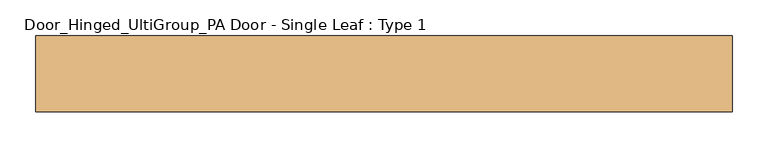
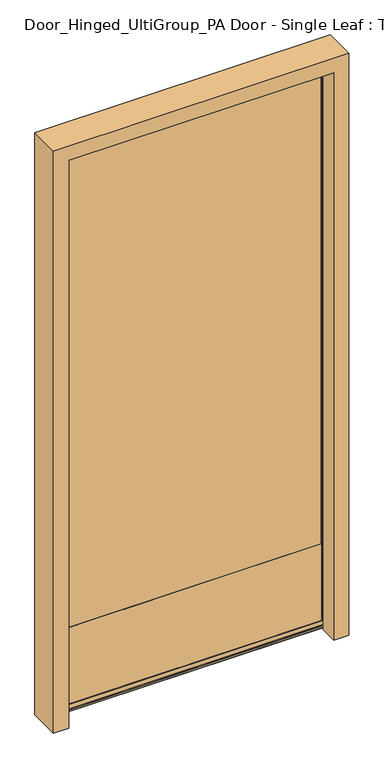
"""IFC4 building model written with IfcOpenShell, lengths in millimetres: door geometry, Door_Hinged_UltiGroup_PA Door - Single Leaf : Type 1."""

from ifc_helpers import new_model, si_unit, point, frame, frame_2d, origin, place, context, project, spatial, polyline, circle_curve, ellipse_curve, trimmed, segment, composite_curve, outline, extrude, source, transform, mapped, element, save
from ifc_brep_helpers import plane_surface, cylinder_surface, advanced_brep


def door_hinged_ultigroup_pa_door_single_leaf_type_1_708cba7c(model_context):
    return source(origin(), model_context, "Body", "SolidModel", [
        advanced_brep(
        [(-452.0, 51.0, 1995.0), (-452.0, 51.0, 18.0), (-452.0, 11.0, 18.0), (-452.0, 11.0, 1995.0), (448.0, 51.0, 18.0), (448.0, 11.0, 18.0), (449.0, 11.0, 17.0), (-453.0, 11.0, 17.0), (-453.0, 11.0, 1996.0), (449.0, 11.0, 1996.0), (448.0, 11.0, 1995.0), (448.0, 51.0, 1995.0), (-453.0, 51.0, 17.0), (449.0, 51.0, 17.0), (449.0, 51.0, 1996.0), (-453.0, 51.0, 1996.0), (-453.0, 53.0, 1996.0), (-453.0, 53.0, 17.0), (449.0, 53.0, 17.0), (449.0, 53.0, 1996.0), (-438.0, 53.0, 32.0), (434.0, 53.0, 32.0), (434.0, 53.0, 1981.0), (-438.0, 53.0, 1981.0), (-438.0, 51.0, 1981.0), (-438.0, 51.0, 32.0), (434.0, 51.0, 32.0), (434.0, 51.0, 1981.0), (-450.0, 51.0, 20.0), (446.0, 51.0, 20.0), (446.0, 51.0, 1993.0), (-450.0, 51.0, 1993.0), (-450.0, 11.0, 1993.0), (-450.0, 11.0, 20.0), (446.0, 11.0, 20.0), (446.0, 11.0, 1993.0), (-438.0, 11.0, 32.0), (434.0, 11.0, 32.0), (434.0, 11.0, 1981.0), (-438.0, 11.0, 1981.0), (-438.0, 9.0, 1981.0), (-438.0, 9.0, 32.0), (434.0, 9.0, 32.0), (434.0, 9.0, 1981.0), (-453.0, 9.0, 17.0), (449.0, 9.0, 17.0), (449.0, 9.0, 1996.0), (-453.0, 9.0, 1996.0)],
        [
            (0, 1),
            (1, 2),
            (2, 3),
            (3, 0),
            (1, 4),
            (4, 5),
            (5, 2),
            (6, 7),
            (7, 8),
            (8, 9),
            (9, 6),
            (5, 10),
            (10, 3),
            (4, 11),
            (11, 10),
            (12, 13),
            (13, 14),
            (14, 15),
            (15, 12),
            (0, 11),
            (16, 17),
            (17, 12, ellipse_curve(frame((-453.0, 52.0, 17.0), z_axis=(-0.7071067811865475, 0.0, 0.7071067811865475), x_axis=(0.7071067811865474, 0.0, 0.7071067811865476)), 1.4142136, 1.0)),
            (15, 16, ellipse_curve(frame((-453.0, 52.0, 1996.0), z_axis=(-0.7071067811865475, 0.0, -0.7071067811865475), x_axis=(-0.7071067811865474, 0.0, 0.7071067811865476)), 1.4142136, 1.0)),
            (17, 18),
            (18, 13, ellipse_curve(frame((449.0, 52.0, 17.0), z_axis=(-0.7071067811865475, 0.0, -0.7071067811865475), x_axis=(-0.7071067811865476, 0.0, 0.7071067811865474)), 1.4142136, 1.0)),
            (18, 19),
            (19, 14, ellipse_curve(frame((449.0, 52.0, 1996.0), z_axis=(0.7071067811865475, 0.0, -0.7071067811865475), x_axis=(-0.7071067811865474, 0.0, -0.7071067811865476)), 1.4142136, 1.0)),
            (16, 19),
            (20, 21),
            (21, 22),
            (22, 23),
            (23, 20),
            (24, 25),
            (25, 20, ellipse_curve(frame((-438.0, 52.0, 32.0), z_axis=(-0.7071067811865475, 0.0, 0.7071067811865475), x_axis=(0.7071067811865474, 0.0, 0.7071067811865476)), 1.4142136, 1.0)),
            (23, 24, ellipse_curve(frame((-438.0, 52.0, 1981.0), z_axis=(-0.7071067811865475, 0.0, -0.7071067811865475), x_axis=(-0.7071067811865474, 0.0, 0.7071067811865476)), 1.4142136, 1.0)),
            (25, 26),
            (26, 21, ellipse_curve(frame((434.0, 52.0, 32.0), z_axis=(-0.7071067811865475, 0.0, -0.7071067811865475), x_axis=(-0.7071067811865476, 0.0, 0.7071067811865474)), 1.4142136, 1.0)),
            (26, 27),
            (27, 22, ellipse_curve(frame((434.0, 52.0, 1981.0), z_axis=(0.7071067811865475, 0.0, -0.7071067811865475), x_axis=(-0.7071067811865474, 0.0, -0.7071067811865476)), 1.4142136, 1.0)),
            (28, 29),
            (29, 30),
            (30, 31),
            (31, 28),
            (24, 27),
            (32, 33),
            (33, 28),
            (31, 32),
            (33, 34),
            (34, 29),
            (34, 35),
            (35, 30),
            (32, 35),
            (36, 37),
            (37, 38),
            (38, 39),
            (39, 36),
            (40, 41),
            (41, 36, ellipse_curve(frame((-438.0, 10.0, 32.0), z_axis=(-0.7071067811865475, 0.0, 0.7071067811865475), x_axis=(0.7071067811865474, 0.0, 0.7071067811865476)), 1.4142136, 1.0)),
            (39, 40, ellipse_curve(frame((-438.0, 10.0, 1981.0), z_axis=(-0.7071067811865475, 0.0, -0.7071067811865475), x_axis=(-0.7071067811865474, 0.0, 0.7071067811865476)), 1.4142136, 1.0)),
            (41, 42),
            (42, 37, ellipse_curve(frame((434.0, 10.0, 32.0), z_axis=(-0.7071067811865475, 0.0, -0.7071067811865475), x_axis=(-0.7071067811865476, 0.0, 0.7071067811865474)), 1.4142136, 1.0)),
            (42, 43),
            (43, 38, ellipse_curve(frame((434.0, 10.0, 1981.0), z_axis=(0.7071067811865475, 0.0, -0.7071067811865475), x_axis=(-0.7071067811865474, 0.0, -0.7071067811865476)), 1.4142136, 1.0)),
            (44, 45),
            (45, 46),
            (46, 47),
            (47, 44),
            (40, 43),
            (7, 44, ellipse_curve(frame((-453.0, 10.0, 17.0), z_axis=(-0.7071067811865475, 0.0, 0.7071067811865475), x_axis=(0.7071067811865474, 0.0, 0.7071067811865476)), 1.4142136, 1.0)),
            (47, 8, ellipse_curve(frame((-453.0, 10.0, 1996.0), z_axis=(-0.7071067811865475, 0.0, -0.7071067811865475), x_axis=(-0.7071067811865474, 0.0, 0.7071067811865476)), 1.4142136, 1.0)),
            (6, 45, ellipse_curve(frame((449.0, 10.0, 17.0), z_axis=(-0.7071067811865475, 0.0, -0.7071067811865475), x_axis=(-0.7071067811865476, 0.0, 0.7071067811865474)), 1.4142136, 1.0)),
            (9, 46, ellipse_curve(frame((449.0, 10.0, 1996.0), z_axis=(0.7071067811865475, 0.0, -0.7071067811865475), x_axis=(-0.7071067811865474, 0.0, -0.7071067811865476)), 1.4142136, 1.0)),
        ],
        [
            plane_surface(frame((-452.0, 11.0, 1995.0), z_axis=(-1.0, 0.0, 0.0), x_axis=(0.0, 0.0, -1.0))),
            plane_surface(frame((-452.0, 11.0, 18.0), z_axis=(0.0, 0.0, -1.0), x_axis=(1.0, 0.0, 0.0))),
            plane_surface(frame((-453.0, 11.0, 1996.0), z_axis=(0.0, 1.0, 0.0), x_axis=(0.0, 0.0, -1.0))),
            plane_surface(frame((448.0, 11.0, 18.0), z_axis=(1.0, 0.0, 0.0), x_axis=(0.0, 0.0, 1.0))),
            plane_surface(frame((-452.0, 51.0, 1995.0), z_axis=(0.0, -1.0, 0.0), x_axis=(0.0, 0.0, -1.0))),
            cylinder_surface(frame((-453.0, 52.0, 1993.0), z_axis=(0.0, 0.0, 1.0), x_axis=(-1.0, 0.0, 0.0)), 1.0),
            cylinder_surface(frame((-450.0, 52.0, 17.0), z_axis=(-1.0, 0.0, 0.0), x_axis=(0.0, 0.0, -1.0)), 1.0),
            cylinder_surface(frame((449.0, 52.0, 20.0), z_axis=(0.0, 0.0, -1.0), x_axis=(1.0, 0.0, 0.0)), 1.0),
            plane_surface(frame((-453.0, 53.0, 1996.0), z_axis=(0.0, 1.0, 0.0), x_axis=(0.0, 0.0, -1.0))),
            cylinder_surface(frame((-438.0, 52.0, 1993.0), z_axis=(0.0, 0.0, 1.0), x_axis=(-1.0, 0.0, 0.0)), 1.0),
            cylinder_surface(frame((-450.0, 52.0, 32.0), z_axis=(-1.0, 0.0, 0.0), x_axis=(0.0, 0.0, -1.0)), 1.0),
            cylinder_surface(frame((434.0, 52.0, 20.0), z_axis=(0.0, 0.0, -1.0), x_axis=(1.0, 0.0, 0.0)), 1.0),
            plane_surface(frame((-438.0, 51.0, 1981.0), z_axis=(0.0, -1.0, 0.0), x_axis=(0.0, 0.0, -1.0))),
            plane_surface(frame((-450.0, 51.0, 1993.0), z_axis=(1.0, 0.0, 0.0), x_axis=(0.0, 0.0, -1.0))),
            plane_surface(frame((-450.0, 51.0, 20.0), z_axis=(0.0, 0.0, 1.0), x_axis=(1.0, 0.0, 0.0))),
            plane_surface(frame((446.0, 51.0, 20.0), z_axis=(-1.0, 0.0, 0.0), x_axis=(0.0, 0.0, 1.0))),
            plane_surface(frame((-450.0, 11.0, 1993.0), z_axis=(0.0, 1.0, 0.0), x_axis=(0.0, 0.0, -1.0))),
            cylinder_surface(frame((-438.0, 10.0, 1993.0), z_axis=(0.0, 0.0, 1.0), x_axis=(-1.0, 0.0, 0.0)), 1.0),
            cylinder_surface(frame((-450.0, 10.0, 32.0), z_axis=(-1.0, 0.0, 0.0), x_axis=(0.0, 0.0, -1.0)), 1.0),
            cylinder_surface(frame((434.0, 10.0, 20.0), z_axis=(0.0, 0.0, -1.0), x_axis=(1.0, 0.0, 0.0)), 1.0),
            plane_surface(frame((-438.0, 9.0, 1981.0), z_axis=(0.0, -1.0, 0.0), x_axis=(0.0, 0.0, -1.0))),
            cylinder_surface(frame((-453.0, 10.0, 1993.0), z_axis=(0.0, 0.0, 1.0), x_axis=(-1.0, 0.0, 0.0)), 1.0),
            cylinder_surface(frame((-450.0, 10.0, 17.0), z_axis=(-1.0, 0.0, 0.0), x_axis=(0.0, 0.0, -1.0)), 1.0),
            cylinder_surface(frame((449.0, 10.0, 20.0), z_axis=(0.0, 0.0, -1.0), x_axis=(1.0, 0.0, 0.0)), 1.0),
            plane_surface(frame((448.0, 11.0, 1995.0), z_axis=(0.0, 0.0, 1.0), x_axis=(-1.0, 0.0, 0.0))),
            cylinder_surface(frame((446.0, 52.0, 1996.0), z_axis=(1.0, 0.0, 0.0), x_axis=(0.0, 0.0, 1.0)), 1.0),
            cylinder_surface(frame((446.0, 52.0, 1981.0), z_axis=(1.0, 0.0, 0.0), x_axis=(0.0, 0.0, 1.0)), 1.0),
            plane_surface(frame((446.0, 51.0, 1993.0), z_axis=(0.0, 0.0, -1.0), x_axis=(-1.0, 0.0, 0.0))),
            cylinder_surface(frame((446.0, 10.0, 1981.0), z_axis=(1.0, 0.0, 0.0), x_axis=(0.0, 0.0, 1.0)), 1.0),
            cylinder_surface(frame((446.0, 10.0, 1996.0), z_axis=(1.0, 0.0, 0.0), x_axis=(0.0, 0.0, 1.0)), 1.0),
        ],
        [
            (0, [[1, 2, 3, 4]]),
            (1, [[5, 6, 7, -2]]),
            (2, [[8, 9, 10, 11], [-7, 12, 13, -3]]),
            (3, [[14, 15, -12, -6]]),
            (4, [[16, 17, 18, 19], [-5, -1, 20, -14]]),
            (5, [[21, 22, -19, 23]]),
            (6, [[24, 25, -16, -22]]),
            (7, [[26, 27, -17, -25]]),
            (8, [[-24, -21, 28, -26], [29, 30, 31, 32]]),
            (9, [[33, 34, -32, 35]]),
            (10, [[36, 37, -29, -34]]),
            (11, [[38, 39, -30, -37]]),
            (12, [[40, 41, 42, 43], [-36, -33, 44, -38]]),
            (13, [[45, 46, -43, 47]]),
            (14, [[48, 49, -40, -46]]),
            (15, [[50, 51, -41, -49]]),
            (16, [[-48, -45, 52, -50], [53, 54, 55, 56]]),
            (17, [[57, 58, -56, 59]]),
            (18, [[60, 61, -53, -58]]),
            (19, [[62, 63, -54, -61]]),
            (20, [[64, 65, 66, 67], [-60, -57, 68, -62]]),
            (21, [[-9, 69, -67, 70]]),
            (22, [[-8, 71, -64, -69]]),
            (23, [[-11, 72, -65, -71]]),
            (24, [[-20, -4, -13, -15]]),
            (25, [[-28, -23, -18, -27]]),
            (26, [[-44, -35, -31, -39]]),
            (27, [[-52, -47, -42, -51]]),
            (28, [[-68, -59, -55, -63]]),
            (29, [[-10, -70, -66, -72]]),
        ],
    ),
        extrude(outline(polyline([(-450.0, 11.0), (-450.0, 51.0), (446.0, 51.0), (446.0, 11.0), (-450.0, 11.0)])), frame((0.0, 0.0, 20.0), z_axis=(0.0, 0.0, 1.0), x_axis=(1.0, 0.0, 0.0)), (0.0, 0.0, 1.0), 1973.0),
        advanced_brep(
        [(-455.0, 50.0, 0.0), (-457.0, 50.0, 0.0), (-457.0, 51.0, 0.0), (-460.0, 51.0, 0.0), (-460.0, 44.0, 0.0), (-457.0, 44.0, 0.0), (-457.0, 45.0, 0.0), (-455.0, 45.0, 0.0), (-455.0, 41.0, 0.0), (-457.0, 41.0, 0.0), (-457.0, 42.0, 0.0), (-460.0, 42.0, 0.0), (-460.0, 22.0, 0.0), (-457.0, 22.0, 0.0), (-457.0, 23.0, 0.0), (-455.0, 23.0, 0.0), (-455.0, 3.0, 0.0), (-447.0, 3.0, 0.0), (-447.0, 7.0, 0.0), (-445.0, 7.0, 0.0), (-445.0, 5.0, 0.0), (-445.0, 3.0, 0.0), (-439.0, 3.0, 0.0), (-439.0, 5.0, 0.0), (-439.0, 7.0, 0.0), (-437.0, 7.0, 0.0), (-437.0, -53.0, 0.0), (-487.0, -53.0, 0.0), (-487.0, 53.0, 0.0), (-455.0, 53.0, 0.0), (-485.0, -51.0, 0.0), (-439.0, -51.0, 0.0), (-439.0, 1.0, 0.0), (-457.0, 1.0, 0.0), (-457.0, 20.0, 0.0), (-462.0, 20.0, 0.0), (-462.0, 51.0, 0.0), (-485.0, 51.0, 0.0), (-455.0, 53.0, 1998.0), (-455.0, 50.0, 1998.0), (-487.0, 53.0, 2030.0), (487.0, 53.0, 2030.0), (487.0, 53.0, 0.0), (455.0, 53.0, 0.0), (455.0, 53.0, 1998.0), (-487.0, -53.0, 2030.0), (-437.0, -53.0, 1980.0), (437.0, -53.0, 1980.0), (437.0, -53.0, 0.0), (487.0, -53.0, 0.0), (487.0, -53.0, 2030.0), (-437.0, 7.0, 1980.0), (-439.0, 7.0, 1982.0), (439.0, 7.0, 1982.0), (439.0, 7.0, 0.0), (437.0, 7.0, 0.0), (437.0, 7.0, 1980.0), (-439.0, 5.0, 1982.0), (-439.0, 3.0, 1982.0), (-445.0, 3.0, 1988.0), (445.0, 3.0, 1988.0), (445.0, 3.0, 0.0), (439.0, 3.0, 0.0), (439.0, 3.0, 1982.0), (-445.0, 5.0, 1988.0), (-445.0, 7.0, 1988.0), (-447.0, 7.0, 1990.0), (447.0, 7.0, 1990.0), (447.0, 7.0, 0.0), (445.0, 7.0, 0.0), (445.0, 7.0, 1988.0), (-447.0, 3.0, 1990.0), (-455.0, 3.0, 1998.0), (455.0, 3.0, 1998.0), (455.0, 3.0, 0.0), (447.0, 3.0, 0.0), (447.0, 3.0, 1990.0), (-455.0, 23.0, 1998.0), (-457.0, 23.0, 2000.0), (-457.0, 22.0, 2000.0), (-460.0, 22.0, 2003.0), (460.0, 22.0, 2003.0), (460.0, 22.0, 0.0), (457.0, 22.0, 0.0), (457.0, 22.0, 2000.0), (-460.0, 42.0, 2003.0), (-457.0, 42.0, 2000.0), (457.0, 42.0, 2000.0), (457.0, 42.0, 0.0), (460.0, 42.0, 0.0), (460.0, 42.0, 2003.0), (-457.0, 41.0, 2000.0), (-455.0, 41.0, 1998.0), (-455.0, 45.0, 1998.0), (-457.0, 45.0, 2000.0), (457.0, 45.0, 2000.0), (457.0, 45.0, 0.0), (455.0, 45.0, 0.0), (455.0, 45.0, 1998.0), (-457.0, 44.0, 2000.0), (-460.0, 44.0, 2003.0), (460.0, 44.0, 2003.0), (460.0, 44.0, 0.0), (457.0, 44.0, 0.0), (457.0, 44.0, 2000.0), (-460.0, 51.0, 2003.0), (-457.0, 51.0, 2000.0), (457.0, 51.0, 2000.0), (457.0, 51.0, 0.0), (460.0, 51.0, 0.0), (460.0, 51.0, 2003.0), (-457.0, 50.0, 2000.0), (-485.0, 51.0, 2028.0), (-485.0, -51.0, 2028.0), (-462.0, 51.0, 2005.0), (462.0, 51.0, 2005.0), (462.0, 51.0, 0.0), (485.0, 51.0, 0.0), (485.0, 51.0, 2028.0), (-462.0, 20.0, 2005.0), (-457.0, 20.0, 2000.0), (457.0, 20.0, 2000.0), (457.0, 20.0, 0.0), (462.0, 20.0, 0.0), (462.0, 20.0, 2005.0), (-457.0, 1.0, 2000.0), (-439.0, 1.0, 1982.0), (439.0, 1.0, 1982.0), (439.0, 1.0, 0.0), (457.0, 1.0, 0.0), (457.0, 1.0, 2000.0), (-439.0, -51.0, 1982.0), (485.0, -51.0, 2028.0), (485.0, -51.0, 0.0), (439.0, -51.0, 0.0), (439.0, -51.0, 1982.0), (455.0, 50.0, 0.0), (455.0, 50.0, 1998.0), (439.0, 5.0, 0.0), (445.0, 5.0, 0.0), (455.0, 23.0, 0.0), (457.0, 23.0, 0.0), (457.0, 41.0, 0.0), (455.0, 41.0, 0.0), (457.0, 50.0, 0.0), (439.0, 5.0, 1982.0), (445.0, 5.0, 1988.0), (455.0, 23.0, 1998.0), (457.0, 23.0, 2000.0), (457.0, 41.0, 2000.0), (455.0, 41.0, 1998.0), (457.0, 50.0, 2000.0)],
        [
            (0, 1, circle_curve(frame((-456.0, 50.0, 0.0), z_axis=(0.0, 0.0, -1.0), x_axis=(0.0, 1.0, 0.0)), 1.0)),
            (1, 2),
            (2, 3),
            (3, 4),
            (4, 5),
            (5, 6),
            (6, 7),
            (7, 8),
            (8, 9, circle_curve(frame((-456.0, 41.0, 0.0), z_axis=(0.0, 0.0, -1.0), x_axis=(0.0, 1.0, 0.0)), 1.0)),
            (9, 10),
            (10, 11),
            (11, 12),
            (12, 13),
            (13, 14),
            (14, 15, circle_curve(frame((-456.0, 23.0, 0.0), z_axis=(0.0, 0.0, -1.0), x_axis=(0.0, 1.0, 0.0)), 1.0)),
            (15, 16),
            (16, 17),
            (17, 18),
            (18, 19),
            (19, 20, circle_curve(frame((-445.0, 6.0, 0.0), z_axis=(0.0, 0.0, -1.0), x_axis=(0.0, 1.0, 0.0)), 1.0)),
            (20, 21),
            (21, 22),
            (22, 23),
            (23, 24, circle_curve(frame((-439.0, 6.0, 0.0), z_axis=(0.0, 0.0, -1.0), x_axis=(0.0, 1.0, 0.0)), 1.0)),
            (24, 25),
            (25, 26),
            (26, 27),
            (27, 28),
            (28, 29),
            (29, 0),
            (30, 31),
            (31, 32),
            (32, 33),
            (33, 34),
            (34, 35),
            (35, 36),
            (36, 37),
            (37, 30),
            (29, 38),
            (38, 39),
            (39, 0),
            (28, 40),
            (40, 41),
            (41, 42),
            (42, 43),
            (43, 44),
            (44, 38),
            (27, 45),
            (45, 40),
            (26, 46),
            (46, 47),
            (47, 48),
            (48, 49),
            (49, 50),
            (50, 45),
            (25, 51),
            (51, 46),
            (24, 52),
            (52, 53),
            (53, 54),
            (54, 55),
            (55, 56),
            (56, 51),
            (23, 57),
            (57, 52, ellipse_curve(frame((-439.0, 6.0, 1982.0), z_axis=(-0.7071067811865475, 0.0, -0.7071067811865475), x_axis=(0.7071067811865474, 0.0, -0.7071067811865476)), 1.4142136, 1.0)),
            (22, 58),
            (58, 57),
            (21, 59),
            (59, 60),
            (60, 61),
            (61, 62),
            (62, 63),
            (63, 58),
            (20, 64),
            (64, 59),
            (19, 65),
            (65, 64, ellipse_curve(frame((-445.0, 6.0, 1988.0), z_axis=(-0.7071067811865475, 0.0, -0.7071067811865475), x_axis=(0.7071067811865474, 0.0, -0.7071067811865476)), 1.4142136, 1.0)),
            (18, 66),
            (66, 67),
            (67, 68),
            (68, 69),
            (69, 70),
            (70, 65),
            (17, 71),
            (71, 66),
            (16, 72),
            (72, 73),
            (73, 74),
            (74, 75),
            (75, 76),
            (76, 71),
            (15, 77),
            (77, 72),
            (14, 78),
            (78, 77, ellipse_curve(frame((-456.0, 23.0, 1999.0), z_axis=(-0.7071067811865475, 0.0, -0.7071067811865475), x_axis=(0.7071067811865474, 0.0, -0.7071067811865476)), 1.4142136, 1.0)),
            (13, 79),
            (79, 78),
            (12, 80),
            (80, 81),
            (81, 82),
            (82, 83),
            (83, 84),
            (84, 79),
            (11, 85),
            (85, 80),
            (10, 86),
            (86, 87),
            (87, 88),
            (88, 89),
            (89, 90),
            (90, 85),
            (9, 91),
            (91, 86),
            (8, 92),
            (92, 91, ellipse_curve(frame((-456.0, 41.0, 1999.0), z_axis=(-0.7071067811865475, 0.0, -0.7071067811865475), x_axis=(0.7071067811865474, 0.0, -0.7071067811865476)), 1.4142136, 1.0)),
            (7, 93),
            (93, 92),
            (6, 94),
            (94, 95),
            (95, 96),
            (96, 97),
            (97, 98),
            (98, 93),
            (5, 99),
            (99, 94),
            (4, 100),
            (100, 101),
            (101, 102),
            (102, 103),
            (103, 104),
            (104, 99),
            (3, 105),
            (105, 100),
            (2, 106),
            (106, 107),
            (107, 108),
            (108, 109),
            (109, 110),
            (110, 105),
            (1, 111),
            (111, 106),
            (39, 111, ellipse_curve(frame((-456.0, 50.0, 1999.0), z_axis=(-0.7071067811865475, 0.0, -0.7071067811865475), x_axis=(0.7071067811865474, 0.0, -0.7071067811865476)), 1.4142136, 1.0)),
            (37, 112),
            (112, 113),
            (113, 30),
            (36, 114),
            (114, 115),
            (115, 116),
            (116, 117),
            (117, 118),
            (118, 112),
            (35, 119),
            (119, 114),
            (34, 120),
            (120, 121),
            (121, 122),
            (122, 123),
            (123, 124),
            (124, 119),
            (33, 125),
            (125, 120),
            (32, 126),
            (126, 127),
            (127, 128),
            (128, 129),
            (129, 130),
            (130, 125),
            (31, 131),
            (131, 126),
            (113, 132),
            (132, 133),
            (133, 134),
            (134, 135),
            (135, 131),
            (43, 136),
            (136, 137),
            (137, 44),
            (42, 49),
            (48, 55),
            (54, 138, circle_curve(frame((439.0, 6.0, 0.0), z_axis=(0.0, 0.0, -1.0), x_axis=(0.0, 1.0, 0.0)), 1.0)),
            (138, 62),
            (61, 139),
            (139, 69, circle_curve(frame((445.0, 6.0, 0.0), z_axis=(0.0, 0.0, -1.0), x_axis=(0.0, 1.0, 0.0)), 1.0)),
            (68, 75),
            (74, 140),
            (140, 141, circle_curve(frame((456.0, 23.0, 0.0), z_axis=(0.0, 0.0, -1.0), x_axis=(0.0, 1.0, 0.0)), 1.0)),
            (141, 83),
            (82, 89),
            (88, 142),
            (142, 143, circle_curve(frame((456.0, 41.0, 0.0), z_axis=(0.0, 0.0, -1.0), x_axis=(0.0, 1.0, 0.0)), 1.0)),
            (143, 97),
            (96, 103),
            (102, 109),
            (108, 144),
            (144, 136, circle_curve(frame((456.0, 50.0, 0.0), z_axis=(0.0, 0.0, -1.0), x_axis=(0.0, 1.0, 0.0)), 1.0)),
            (133, 117),
            (116, 123),
            (122, 129),
            (128, 134),
            (41, 50),
            (47, 56),
            (145, 138),
            (53, 145, ellipse_curve(frame((439.0, 6.0, 1982.0), z_axis=(0.7071067811865475, 0.0, -0.7071067811865475), x_axis=(0.7071067811865474, 0.0, 0.7071067811865476)), 1.4142136, 1.0)),
            (145, 63),
            (146, 139),
            (60, 146),
            (146, 70, ellipse_curve(frame((445.0, 6.0, 1988.0), z_axis=(0.7071067811865475, 0.0, -0.7071067811865475), x_axis=(0.7071067811865474, 0.0, 0.7071067811865476)), 1.4142136, 1.0)),
            (67, 76),
            (147, 140),
            (73, 147),
            (141, 148),
            (148, 84),
            (81, 90),
            (149, 142),
            (87, 149),
            (143, 150),
            (150, 98),
            (95, 104),
            (101, 110),
            (151, 144),
            (107, 151),
            (132, 118),
            (115, 124),
            (121, 130),
            (127, 135),
            (151, 137, ellipse_curve(frame((456.0, 50.0, 1999.0), z_axis=(0.7071067811865475, 0.0, -0.7071067811865475), x_axis=(0.7071067811865474, 0.0, 0.7071067811865476)), 1.4142136, 1.0)),
            (149, 150, ellipse_curve(frame((456.0, 41.0, 1999.0), z_axis=(0.7071067811865475, 0.0, -0.7071067811865475), x_axis=(0.7071067811865474, 0.0, 0.7071067811865476)), 1.4142136, 1.0)),
            (147, 148, ellipse_curve(frame((456.0, 23.0, 1999.0), z_axis=(0.7071067811865475, 0.0, -0.7071067811865475), x_axis=(0.7071067811865474, 0.0, 0.7071067811865476)), 1.4142136, 1.0)),
            (137, 39),
            (57, 145),
            (64, 146),
            (77, 147),
            (78, 148),
            (91, 149),
            (92, 150),
            (111, 151),
        ],
        [
            plane_surface(frame((-487.0, 53.0, 0.0), z_axis=(0.0, 0.0, -1.0), x_axis=(1.0, 0.0, 0.0))),
            plane_surface(frame((-455.0, 50.0, 0.0), z_axis=(1.0, 0.0, 0.0), x_axis=(0.0, 0.0, 1.0))),
            plane_surface(frame((-455.0, 53.0, 0.0), z_axis=(0.0, 1.0, 0.0), x_axis=(0.0, 0.0, 1.0))),
            plane_surface(frame((-487.0, 53.0, 0.0), z_axis=(-1.0, 0.0, 0.0), x_axis=(0.0, 0.0, 1.0))),
            plane_surface(frame((-487.0, -53.0, 0.0), z_axis=(0.0, -1.0, 0.0), x_axis=(0.0, 0.0, 1.0))),
            plane_surface(frame((-437.0, -53.0, 0.0), z_axis=(1.0, 0.0, 0.0), x_axis=(0.0, 0.0, 1.0))),
            plane_surface(frame((-437.0, 7.0, 0.0), z_axis=(0.0, 1.0, 0.0), x_axis=(0.0, 0.0, 1.0))),
            cylinder_surface(frame((-439.0, 6.0, 0.0), z_axis=(0.0, 0.0, -1.0), x_axis=(0.0, 1.0, 0.0)), 1.0),
            plane_surface(frame((-439.0, 5.0, 0.0), z_axis=(-1.0, 0.0, 0.0), x_axis=(0.0, 0.0, 1.0))),
            plane_surface(frame((-439.0, 3.0, 0.0), z_axis=(0.0, 1.0, 0.0), x_axis=(0.0, 0.0, 1.0))),
            plane_surface(frame((-445.0, 3.0, 0.0), z_axis=(1.0, 0.0, 0.0), x_axis=(0.0, 0.0, 1.0))),
            cylinder_surface(frame((-445.0, 6.0, 0.0), z_axis=(0.0, 0.0, -1.0), x_axis=(0.0, 1.0, 0.0)), 1.0),
            plane_surface(frame((-445.0, 7.0, 0.0), z_axis=(0.0, 1.0, 0.0), x_axis=(0.0, 0.0, 1.0))),
            plane_surface(frame((-447.0, 7.0, 0.0), z_axis=(-1.0, 0.0, 0.0), x_axis=(0.0, 0.0, 1.0))),
            plane_surface(frame((-447.0, 3.0, 0.0), z_axis=(0.0, 1.0, 0.0), x_axis=(0.0, 0.0, 1.0))),
            plane_surface(frame((-455.0, 3.0, 0.0), z_axis=(1.0, 0.0, 0.0), x_axis=(0.0, 0.0, 1.0))),
            cylinder_surface(frame((-456.0, 23.0, 0.0), z_axis=(0.0, 0.0, -1.0), x_axis=(0.0, 1.0, 0.0)), 1.0),
            plane_surface(frame((-457.0, 23.0, 0.0), z_axis=(-1.0, 0.0, 0.0), x_axis=(0.0, 0.0, 1.0))),
            plane_surface(frame((-457.0, 22.0, 0.0), z_axis=(0.0, 1.0, 0.0), x_axis=(0.0, 0.0, 1.0))),
            plane_surface(frame((-460.0, 22.0, 0.0), z_axis=(1.0, 0.0, 0.0), x_axis=(0.0, 0.0, 1.0))),
            plane_surface(frame((-460.0, 42.0, 0.0), z_axis=(0.0, -1.0, 0.0), x_axis=(0.0, 0.0, 1.0))),
            plane_surface(frame((-457.0, 42.0, 0.0), z_axis=(-1.0, 0.0, 0.0), x_axis=(0.0, 0.0, 1.0))),
            cylinder_surface(frame((-456.0, 41.0, 0.0), z_axis=(0.0, 0.0, -1.0), x_axis=(0.0, 1.0, 0.0)), 1.0),
            plane_surface(frame((-455.0, 41.0, 0.0), z_axis=(1.0, 0.0, 0.0), x_axis=(0.0, 0.0, 1.0))),
            plane_surface(frame((-455.0, 45.0, 0.0), z_axis=(0.0, 1.0, 0.0), x_axis=(0.0, 0.0, 1.0))),
            plane_surface(frame((-457.0, 45.0, 0.0), z_axis=(-1.0, 0.0, 0.0), x_axis=(0.0, 0.0, 1.0))),
            plane_surface(frame((-457.0, 44.0, 0.0), z_axis=(0.0, 1.0, 0.0), x_axis=(0.0, 0.0, 1.0))),
            plane_surface(frame((-460.0, 44.0, 0.0), z_axis=(1.0, 0.0, 0.0), x_axis=(0.0, 0.0, 1.0))),
            plane_surface(frame((-460.0, 51.0, 0.0), z_axis=(0.0, -1.0, 0.0), x_axis=(0.0, 0.0, 1.0))),
            plane_surface(frame((-457.0, 51.0, 0.0), z_axis=(-1.0, 0.0, 0.0), x_axis=(0.0, 0.0, 1.0))),
            cylinder_surface(frame((-456.0, 50.0, 0.0), z_axis=(0.0, 0.0, -1.0), x_axis=(0.0, 1.0, 0.0)), 1.0),
            plane_surface(frame((-485.0, -51.0, 0.0), z_axis=(1.0, 0.0, 0.0), x_axis=(0.0, 0.0, 1.0))),
            plane_surface(frame((-485.0, 51.0, 0.0), z_axis=(0.0, -1.0, 0.0), x_axis=(0.0, 0.0, 1.0))),
            plane_surface(frame((-462.0, 51.0, 0.0), z_axis=(-1.0, 0.0, 0.0), x_axis=(0.0, 0.0, 1.0))),
            plane_surface(frame((-462.0, 20.0, 0.0), z_axis=(0.0, -1.0, 0.0), x_axis=(0.0, 0.0, 1.0))),
            plane_surface(frame((-457.0, 20.0, 0.0), z_axis=(-1.0, 0.0, 0.0), x_axis=(0.0, 0.0, 1.0))),
            plane_surface(frame((-457.0, 1.0, 0.0), z_axis=(0.0, -1.0, 0.0), x_axis=(0.0, 0.0, 1.0))),
            plane_surface(frame((-439.0, 1.0, 0.0), z_axis=(-1.0, 0.0, 0.0), x_axis=(0.0, 0.0, 1.0))),
            plane_surface(frame((-439.0, -51.0, 0.0), z_axis=(0.0, 1.0, 0.0), x_axis=(0.0, 0.0, 1.0))),
            plane_surface(frame((455.0, 50.0, 1998.0), z_axis=(-1.0, 0.0, 0.0), x_axis=(0.0, 0.0, -1.0))),
            plane_surface(frame((487.0, 53.0, 0.0), z_axis=(0.0, 0.0, -1.0), x_axis=(-1.0, 0.0, 0.0))),
            plane_surface(frame((487.0, 53.0, 2030.0), z_axis=(1.0, 0.0, 0.0), x_axis=(0.0, 0.0, -1.0))),
            plane_surface(frame((437.0, -53.0, 1980.0), z_axis=(-1.0, 0.0, 0.0), x_axis=(0.0, 0.0, -1.0))),
            cylinder_surface(frame((439.0, 6.0, 2030.0), z_axis=(0.0, 0.0, 1.0), x_axis=(0.0, 1.0, 0.0)), 1.0),
            plane_surface(frame((439.0, 5.0, 1982.0), z_axis=(1.0, 0.0, 0.0), x_axis=(0.0, 0.0, -1.0))),
            plane_surface(frame((445.0, 3.0, 1988.0), z_axis=(-1.0, 0.0, 0.0), x_axis=(0.0, 0.0, -1.0))),
            cylinder_surface(frame((445.0, 6.0, 2030.0), z_axis=(0.0, 0.0, 1.0), x_axis=(0.0, 1.0, 0.0)), 1.0),
            plane_surface(frame((447.0, 7.0, 1990.0), z_axis=(1.0, 0.0, 0.0), x_axis=(0.0, 0.0, -1.0))),
            plane_surface(frame((455.0, 3.0, 1998.0), z_axis=(-1.0, 0.0, 0.0), x_axis=(0.0, 0.0, -1.0))),
            plane_surface(frame((457.0, 23.0, 2000.0), z_axis=(1.0, 0.0, 0.0), x_axis=(0.0, 0.0, -1.0))),
            plane_surface(frame((460.0, 22.0, 2003.0), z_axis=(-1.0, 0.0, 0.0), x_axis=(0.0, 0.0, -1.0))),
            plane_surface(frame((457.0, 42.0, 2000.0), z_axis=(1.0, 0.0, 0.0), x_axis=(0.0, 0.0, -1.0))),
            plane_surface(frame((455.0, 41.0, 1998.0), z_axis=(-1.0, 0.0, 0.0), x_axis=(0.0, 0.0, -1.0))),
            plane_surface(frame((457.0, 45.0, 2000.0), z_axis=(1.0, 0.0, 0.0), x_axis=(0.0, 0.0, -1.0))),
            plane_surface(frame((460.0, 44.0, 2003.0), z_axis=(-1.0, 0.0, 0.0), x_axis=(0.0, 0.0, -1.0))),
            plane_surface(frame((457.0, 51.0, 2000.0), z_axis=(1.0, 0.0, 0.0), x_axis=(0.0, 0.0, -1.0))),
            plane_surface(frame((485.0, -51.0, 2028.0), z_axis=(-1.0, 0.0, 0.0), x_axis=(0.0, 0.0, -1.0))),
            plane_surface(frame((462.0, 51.0, 2005.0), z_axis=(1.0, 0.0, 0.0), x_axis=(0.0, 0.0, -1.0))),
            plane_surface(frame((457.0, 20.0, 2000.0), z_axis=(1.0, 0.0, 0.0), x_axis=(0.0, 0.0, -1.0))),
            plane_surface(frame((439.0, 1.0, 1982.0), z_axis=(1.0, 0.0, 0.0), x_axis=(0.0, 0.0, -1.0))),
            cylinder_surface(frame((456.0, 50.0, 2030.0), z_axis=(0.0, 0.0, 1.0), x_axis=(0.0, 1.0, 0.0)), 1.0),
            cylinder_surface(frame((456.0, 41.0, 2030.0), z_axis=(0.0, 0.0, 1.0), x_axis=(0.0, 1.0, 0.0)), 1.0),
            cylinder_surface(frame((456.0, 23.0, 2030.0), z_axis=(0.0, 0.0, 1.0), x_axis=(0.0, 1.0, 0.0)), 1.0),
            plane_surface(frame((-455.0, 50.0, 1998.0), z_axis=(0.0, 0.0, -1.0), x_axis=(1.0, 0.0, 0.0))),
            plane_surface(frame((-487.0, 53.0, 2030.0), z_axis=(0.0, 0.0, 1.0), x_axis=(1.0, 0.0, 0.0))),
            plane_surface(frame((-437.0, -53.0, 1980.0), z_axis=(0.0, 0.0, -1.0), x_axis=(1.0, 0.0, 0.0))),
            cylinder_surface(frame((-487.0, 6.0, 1982.0), z_axis=(-1.0, 0.0, 0.0), x_axis=(0.0, 1.0, 0.0)), 1.0),
            plane_surface(frame((-439.0, 5.0, 1982.0), z_axis=(0.0, 0.0, 1.0), x_axis=(1.0, 0.0, 0.0))),
            plane_surface(frame((-445.0, 3.0, 1988.0), z_axis=(0.0, 0.0, -1.0), x_axis=(1.0, 0.0, 0.0))),
            cylinder_surface(frame((-487.0, 6.0, 1988.0), z_axis=(-1.0, 0.0, 0.0), x_axis=(0.0, 1.0, 0.0)), 1.0),
            plane_surface(frame((-447.0, 7.0, 1990.0), z_axis=(0.0, 0.0, 1.0), x_axis=(1.0, 0.0, 0.0))),
            plane_surface(frame((-455.0, 3.0, 1998.0), z_axis=(0.0, 0.0, -1.0), x_axis=(1.0, 0.0, 0.0))),
            cylinder_surface(frame((-487.0, 23.0, 1999.0), z_axis=(-1.0, 0.0, 0.0), x_axis=(0.0, 1.0, 0.0)), 1.0),
            plane_surface(frame((-457.0, 23.0, 2000.0), z_axis=(0.0, 0.0, 1.0), x_axis=(1.0, 0.0, 0.0))),
            plane_surface(frame((-460.0, 22.0, 2003.0), z_axis=(0.0, 0.0, -1.0), x_axis=(1.0, 0.0, 0.0))),
            plane_surface(frame((-457.0, 42.0, 2000.0), z_axis=(0.0, 0.0, 1.0), x_axis=(1.0, 0.0, 0.0))),
            cylinder_surface(frame((-487.0, 41.0, 1999.0), z_axis=(-1.0, 0.0, 0.0), x_axis=(0.0, 1.0, 0.0)), 1.0),
            plane_surface(frame((-455.0, 41.0, 1998.0), z_axis=(0.0, 0.0, -1.0), x_axis=(1.0, 0.0, 0.0))),
            plane_surface(frame((-457.0, 45.0, 2000.0), z_axis=(0.0, 0.0, 1.0), x_axis=(1.0, 0.0, 0.0))),
            plane_surface(frame((-460.0, 44.0, 2003.0), z_axis=(0.0, 0.0, -1.0), x_axis=(1.0, 0.0, 0.0))),
            plane_surface(frame((-457.0, 51.0, 2000.0), z_axis=(0.0, 0.0, 1.0), x_axis=(1.0, 0.0, 0.0))),
            cylinder_surface(frame((-487.0, 50.0, 1999.0), z_axis=(-1.0, 0.0, 0.0), x_axis=(0.0, 1.0, 0.0)), 1.0),
            plane_surface(frame((-485.0, -51.0, 2028.0), z_axis=(0.0, 0.0, -1.0), x_axis=(1.0, 0.0, 0.0))),
            plane_surface(frame((-462.0, 51.0, 2005.0), z_axis=(0.0, 0.0, 1.0), x_axis=(1.0, 0.0, 0.0))),
            plane_surface(frame((-457.0, 20.0, 2000.0), z_axis=(0.0, 0.0, 1.0), x_axis=(1.0, 0.0, 0.0))),
            plane_surface(frame((-439.0, 1.0, 1982.0), z_axis=(0.0, 0.0, 1.0), x_axis=(1.0, 0.0, 0.0))),
        ],
        [
            (0, [[1, 2, 3, 4, 5, 6, 7, 8, 9, 10, 11, 12, 13, 14, 15, 16, 17, 18, 19, 20, 21, 22, 23, 24, 25, 26, 27, 28, 29, 30], [31, 32, 33, 34, 35, 36, 37, 38]]),
            (1, [[39, 40, 41, -30]]),
            (2, [[42, 43, 44, 45, 46, 47, -39, -29]]),
            (3, [[48, 49, -42, -28]]),
            (4, [[50, 51, 52, 53, 54, 55, -48, -27]]),
            (5, [[56, 57, -50, -26]]),
            (6, [[58, 59, 60, 61, 62, 63, -56, -25]]),
            (7, [[64, 65, -58, -24]]),
            (8, [[66, 67, -64, -23]]),
            (9, [[68, 69, 70, 71, 72, 73, -66, -22]]),
            (10, [[74, 75, -68, -21]]),
            (11, [[76, 77, -74, -20]]),
            (12, [[78, 79, 80, 81, 82, 83, -76, -19]]),
            (13, [[84, 85, -78, -18]]),
            (14, [[86, 87, 88, 89, 90, 91, -84, -17]]),
            (15, [[92, 93, -86, -16]]),
            (16, [[94, 95, -92, -15]]),
            (17, [[96, 97, -94, -14]]),
            (18, [[98, 99, 100, 101, 102, 103, -96, -13]]),
            (19, [[104, 105, -98, -12]]),
            (20, [[106, 107, 108, 109, 110, 111, -104, -11]]),
            (21, [[112, 113, -106, -10]]),
            (22, [[114, 115, -112, -9]]),
            (23, [[116, 117, -114, -8]]),
            (24, [[118, 119, 120, 121, 122, 123, -116, -7]]),
            (25, [[124, 125, -118, -6]]),
            (26, [[126, 127, 128, 129, 130, 131, -124, -5]]),
            (27, [[132, 133, -126, -4]]),
            (28, [[134, 135, 136, 137, 138, 139, -132, -3]]),
            (29, [[140, 141, -134, -2]]),
            (30, [[-41, 142, -140, -1]]),
            (31, [[143, 144, 145, -38]]),
            (32, [[146, 147, 148, 149, 150, 151, -143, -37]]),
            (33, [[152, 153, -146, -36]]),
            (34, [[154, 155, 156, 157, 158, 159, -152, -35]]),
            (35, [[160, 161, -154, -34]]),
            (36, [[162, 163, 164, 165, 166, 167, -160, -33]]),
            (37, [[168, 169, -162, -32]]),
            (38, [[-145, 170, 171, 172, 173, 174, -168, -31]]),
            (39, [[-46, 175, 176, 177]]),
            (40, [[-175, -45, 178, -53, 179, -61, 180, 181, -71, 182, 183, -81, 184, -89, 185, 186, 187, -101, 188, -109, 189, 190, 191, -121, 192, -129, 193, -137, 194, 195], [196, -149, 197, -157, 198, -165, 199, -172]]),
            (41, [[-54, -178, -44, 200]]),
            (42, [[-62, -179, -52, 201]]),
            (43, [[202, -180, -60, 203]]),
            (44, [[-72, -181, -202, 204]]),
            (45, [[205, -182, -70, 206]]),
            (46, [[-82, -183, -205, 207]]),
            (47, [[-90, -184, -80, 208]]),
            (48, [[209, -185, -88, 210]]),
            (49, [[-102, -187, 211, 212]]),
            (50, [[-110, -188, -100, 213]]),
            (51, [[214, -189, -108, 215]]),
            (52, [[-122, -191, 216, 217]]),
            (53, [[-130, -192, -120, 218]]),
            (54, [[-138, -193, -128, 219]]),
            (55, [[220, -194, -136, 221]]),
            (56, [[-150, -196, -171, 222]]),
            (57, [[-158, -197, -148, 223]]),
            (58, [[-166, -198, -156, 224]]),
            (59, [[-173, -199, -164, 225]]),
            (60, [[-176, -195, -220, 226]]),
            (61, [[-216, -190, -214, 227]]),
            (62, [[-211, -186, -209, 228]]),
            (63, [[-47, -177, 229, -40]]),
            (64, [[-55, -200, -43, -49]]),
            (65, [[-63, -201, -51, -57]]),
            (66, [[230, -203, -59, -65]]),
            (67, [[-73, -204, -230, -67]]),
            (68, [[231, -206, -69, -75]]),
            (69, [[-83, -207, -231, -77]]),
            (70, [[-91, -208, -79, -85]]),
            (71, [[232, -210, -87, -93]]),
            (72, [[233, -228, -232, -95]]),
            (73, [[-103, -212, -233, -97]]),
            (74, [[-111, -213, -99, -105]]),
            (75, [[234, -215, -107, -113]]),
            (76, [[235, -227, -234, -115]]),
            (77, [[-123, -217, -235, -117]]),
            (78, [[-131, -218, -119, -125]]),
            (79, [[-139, -219, -127, -133]]),
            (80, [[236, -221, -135, -141]]),
            (81, [[-229, -226, -236, -142]]),
            (82, [[-151, -222, -170, -144]]),
            (83, [[-159, -223, -147, -153]]),
            (84, [[-167, -224, -155, -161]]),
            (85, [[-174, -225, -163, -169]]),
        ],
    ),
        extrude(outline(polyline([(-437.0, 51.0), (-437.0, 53.0), (433.0, 53.0), (433.0, 51.0), (-437.0, 51.0)])), frame((0.0, 0.0, 12.9953629), z_axis=(0.0, 0.0, 1.0), x_axis=(1.0, 0.0, 0.0)), (0.0, 0.0, 1.0), 287.0046371),
        extrude(outline(polyline([(433.0, 11.0), (433.0, 9.0), (-437.0, 9.0), (-437.0, 11.0), (433.0, 11.0)])), frame((0.0, 0.0, 12.9953629), z_axis=(0.0, 0.0, 1.0), x_axis=(1.0, 0.0, 0.0)), (0.0, 0.0, 1.0), 287.0046371),
        extrude(outline(composite_curve([segment(polyline([(16.0, 18.0), (46.0, 18.0), (46.0, 1.0)]), True, "CONTINUOUS"), segment(trimmed(circle_curve(frame_2d((45.0, 1.0)), 1.0), [point((46.0, 1.0))], [point((44.0037844, 0.9130834))], False, "CARTESIAN"), True, "CONTINUOUS"), segment(polyline([(44.0037844, 0.9130834), (42.9492398, 13.0), (19.0507602, 13.0), (17.9962156, 0.9130834)]), True, "CONTINUOUS"), segment(trimmed(circle_curve(frame_2d((17.0, 1.0)), 1.0), [point((17.9962156, 0.9130834))], [point((16.0, 1.0))], False, "CARTESIAN"), True, "CONTINUOUS"), segment(polyline([(16.0, 1.0), (16.0, 18.0)]), True, "CONTINUOUS")], self_intersect=False)), frame((-452.0, 0.0, 0.0), z_axis=(1.0, 0.0, 0.0), x_axis=(0.0, 1.0, 0.0)), (0.0, 0.0, 1.0), 900.0),
    ])


if __name__ == "__main__":
    model = new_model("IFC4")
    model_context = context("Model", 3, world=origin())
    ifc_project = project(units=[si_unit("LENGTHUNIT", "METRE", prefix="MILLI")], contexts=[model_context])
    site = spatial("IfcSite", under=ifc_project)
    building = spatial("IfcBuilding", under=site)
    placement = place(None, origin())
    door_hinged_ultigroup_pa_door_single_leaf_type_1_shape = door_hinged_ultigroup_pa_door_single_leaf_type_1_708cba7c(model_context)
    element("IfcDoor", 1, ObjectType="Door_Hinged_UltiGroup_PA Door - Single Leaf : Type 1", at=placement, inside=building, context=model_context, shape_type="MappedRepresentation", body=[
        mapped(door_hinged_ultigroup_pa_door_single_leaf_type_1_shape, transform((0.0, 0.0, 0.0), x_axis=(1.0, 0.0, 0.0), y_axis=(0.0, 1.0, 0.0), z_axis=(0.0, 0.0, 1.0))),
    ])
    save(model, "model.ifc")
